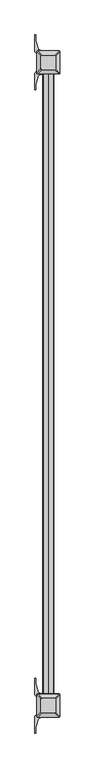
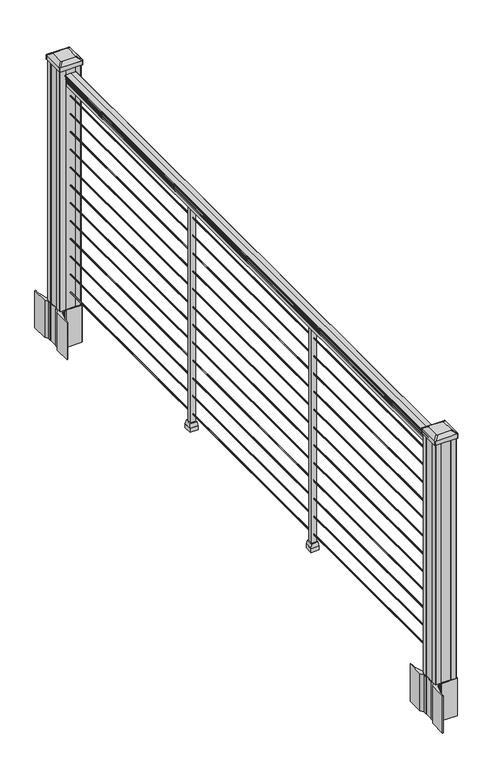
"""IFC4 building model written with IfcOpenShell, lengths in millimetres: railing geometry."""

from ifc_helpers import new_model, si_unit, point, frame, frame_2d, origin, origin_with_axes, place, context, project, spatial, polyline, circle_curve, trimmed, segment, composite_curve, outline, extrude, faceted_brep, source, transform, mapped, element, save
from ifc_brep_helpers import plane_surface, extruded_surface, advanced_brep


def railing_f094a31c(model_context):
    return source(origin(), model_context, "Body", "SolidModel", [
        extrude(outline(composite_curve([segment(polyline([(938.4043297, 949.2470786), (940.292412, 949.2470786)]), True, "CONTINUOUS"), segment(trimmed(circle_curve(frame_2d((946.0506383, 942.9323253)), 8.545951), [point((940.292412, 949.2470786))], [point((941.8546695, 950.3772649))], False, "CARTESIAN"), True, "CONTINUOUS"), segment(trimmed(circle_curve(frame_2d((945.4636577, 943.3693883)), 7.882584), [point((941.8546695, 950.3772649))], [point((949.0726458, 950.3772649))], False, "CARTESIAN"), True, "CONTINUOUS"), segment(trimmed(circle_curve(frame_2d((951.3112527, 953.8827124)), 4.1592695), [point((949.0726458, 950.3772649))], [point((951.5060812, 949.7280085))], True, "CARTESIAN"), True, "CONTINUOUS"), segment(trimmed(circle_curve(frame_2d((951.2508864, 955.1700189)), 5.4479907), [point((951.5060812, 949.7280085))], [point((955.8362083, 952.2280085))], True, "CARTESIAN"), True, "CONTINUOUS"), segment(trimmed(circle_curve(frame_2d((955.833395, 953.9368605)), 1.7088543), [point((955.8362083, 952.2280085))], [point((957.5157972, 953.6373509))], True, "CARTESIAN"), True, "CONTINUOUS"), segment(trimmed(circle_curve(frame_2d((958.6205318, 952.3199604)), 1.7192895), [point((957.5157972, 953.6373509))], [point((958.6205318, 954.0392499))], False, "CARTESIAN"), True, "CONTINUOUS"), segment(polyline([(958.6205318, 954.0392499), (959.9608158, 954.0392498)]), True, "CONTINUOUS"), segment(trimmed(circle_curve(frame_2d((959.9608158, 952.4858026)), 1.5534472), [point((959.9608158, 954.0392498))], [point((961.514263, 952.4858026))], False, "CARTESIAN"), True, "CONTINUOUS"), segment(polyline([(961.514263, 952.4858026), (961.514263, 931.8142498), (961.514263, 911.1426971)]), True, "CONTINUOUS"), segment(trimmed(circle_curve(frame_2d((959.9608158, 911.1426971)), 1.5534472), [point((961.514263, 911.1426971))], [point((959.9608158, 909.5892498))], False, "CARTESIAN"), True, "CONTINUOUS"), segment(polyline([(959.9608158, 909.5892498), (958.6205318, 909.5892498)]), True, "CONTINUOUS"), segment(trimmed(circle_curve(frame_2d((958.6205318, 911.3085393)), 1.7192895), [point((958.6205318, 909.5892498))], [point((957.5157972, 909.9911488))], False, "CARTESIAN"), True, "CONTINUOUS"), segment(trimmed(circle_curve(frame_2d((955.833395, 909.6916392)), 1.7088543), [point((957.5157972, 909.9911488))], [point((955.8362083, 911.4004912))], True, "CARTESIAN"), True, "CONTINUOUS"), segment(trimmed(circle_curve(frame_2d((951.2508864, 908.4584807)), 5.4479907), [point((955.8362083, 911.4004912))], [point((951.5060812, 913.9004912))], True, "CARTESIAN"), True, "CONTINUOUS"), segment(trimmed(circle_curve(frame_2d((951.3112527, 909.7457873)), 4.1592695), [point((951.5060812, 913.9004912))], [point((949.0726458, 913.2512348))], True, "CARTESIAN"), True, "CONTINUOUS"), segment(trimmed(circle_curve(frame_2d((945.4636577, 920.2591114)), 7.882584), [point((949.0726458, 913.2512348))], [point((941.8546695, 913.2512348))], False, "CARTESIAN"), True, "CONTINUOUS"), segment(trimmed(circle_curve(frame_2d((946.0506383, 920.6961744)), 8.545951), [point((941.8546695, 913.2512348))], [point((940.292412, 914.3814211))], False, "CARTESIAN"), True, "CONTINUOUS"), segment(polyline([(940.292412, 914.3814211), (938.4043297, 914.3814211)]), True, "CONTINUOUS"), segment(trimmed(circle_curve(frame_2d((938.4043297, 915.6683355)), 1.2869144), [point((938.4043297, 914.3814211))], [point((938.4043297, 916.9552498))], False, "CARTESIAN"), True, "CONTINUOUS"), segment(polyline([(938.4043297, 916.9552498), (927.9048283, 916.9552498), (926.8888283, 915.9392498), (914.4, 915.9392498), (914.4, 947.6892498), (926.731013, 947.6892498), (927.747013, 946.6732498), (938.4043297, 946.6732498)]), True, "CONTINUOUS"), segment(trimmed(circle_curve(frame_2d((938.4043297, 947.9601642)), 1.2869144), [point((938.4043297, 946.6732498))], [point((938.4043297, 949.2470786))], False, "CARTESIAN"), True, "CONTINUOUS")], self_intersect=False)), frame((0.0, -101994.9191011, 0.0), z_axis=(0.0, 1.0, 0.0), x_axis=(0.0, 0.0, 1.0)), (0.0, 0.0, 1.0), 2438.4),
        extrude(outline(composite_curve([segment(trimmed(circle_curve(frame_2d((65.024, 931.8142498)), 1.5875), [point((65.024, 930.2267498))], [point((63.4365, 931.8142498))], False, "CARTESIAN"), True, "CONTINUOUS"), segment(trimmed(circle_curve(frame_2d((65.024, 931.8142498)), 1.5875), [point((63.4365, 931.8142498))], [point((65.024, 933.4017498))], False, "CARTESIAN"), True, "CONTINUOUS"), segment(trimmed(circle_curve(frame_2d((65.024, 931.8142498)), 1.5875), [point((65.024, 933.4017498))], [point((66.6115, 931.8142498))], False, "CARTESIAN"), True, "CONTINUOUS"), segment(trimmed(circle_curve(frame_2d((65.024, 931.8142498)), 1.5875), [point((66.6115, 931.8142498))], [point((65.024, 930.2267498))], False, "CARTESIAN"), True, "CONTINUOUS")], self_intersect=False)), frame((0.0, -101994.9191011, 0.0), z_axis=(0.0, 1.0, 0.0), x_axis=(0.0, 0.0, 1.0)), (0.0, 0.0, 1.0), 2438.4),
        extrude(outline(composite_curve([segment(trimmed(circle_curve(frame_2d((138.176, 931.8142498)), 1.5875), [point((138.176, 930.2267498))], [point((136.5885, 931.8142498))], False, "CARTESIAN"), True, "CONTINUOUS"), segment(trimmed(circle_curve(frame_2d((138.176, 931.8142498)), 1.5875), [point((136.5885, 931.8142498))], [point((138.176, 933.4017498))], False, "CARTESIAN"), True, "CONTINUOUS"), segment(trimmed(circle_curve(frame_2d((138.176, 931.8142498)), 1.5875), [point((138.176, 933.4017498))], [point((139.7635, 931.8142498))], False, "CARTESIAN"), True, "CONTINUOUS"), segment(trimmed(circle_curve(frame_2d((138.176, 931.8142498)), 1.5875), [point((139.7635, 931.8142498))], [point((138.176, 930.2267498))], False, "CARTESIAN"), True, "CONTINUOUS")], self_intersect=False)), frame((0.0, -101994.9191011, 0.0), z_axis=(0.0, 1.0, 0.0), x_axis=(0.0, 0.0, 1.0)), (0.0, 0.0, 1.0), 2438.4),
        extrude(outline(composite_curve([segment(trimmed(circle_curve(frame_2d((211.074, 931.8142498)), 1.5875), [point((211.074, 930.2267498))], [point((209.4865, 931.8142498))], False, "CARTESIAN"), True, "CONTINUOUS"), segment(trimmed(circle_curve(frame_2d((211.074, 931.8142498)), 1.5875), [point((209.4865, 931.8142498))], [point((211.074, 933.4017498))], False, "CARTESIAN"), True, "CONTINUOUS"), segment(trimmed(circle_curve(frame_2d((211.074, 931.8142498)), 1.5875), [point((211.074, 933.4017498))], [point((212.6615, 931.8142498))], False, "CARTESIAN"), True, "CONTINUOUS"), segment(trimmed(circle_curve(frame_2d((211.074, 931.8142498)), 1.5875), [point((212.6615, 931.8142498))], [point((211.074, 930.2267498))], False, "CARTESIAN"), True, "CONTINUOUS")], self_intersect=False)), frame((0.0, -101994.9191011, 0.0), z_axis=(0.0, 1.0, 0.0), x_axis=(0.0, 0.0, 1.0)), (0.0, 0.0, 1.0), 2438.4),
        extrude(outline(composite_curve([segment(trimmed(circle_curve(frame_2d((284.226, 931.8142498)), 1.5875), [point((284.226, 930.2267498))], [point((282.6385, 931.8142498))], False, "CARTESIAN"), True, "CONTINUOUS"), segment(trimmed(circle_curve(frame_2d((284.226, 931.8142498)), 1.5875), [point((282.6385, 931.8142498))], [point((284.226, 933.4017498))], False, "CARTESIAN"), True, "CONTINUOUS"), segment(trimmed(circle_curve(frame_2d((284.226, 931.8142498)), 1.5875), [point((284.226, 933.4017498))], [point((285.8135, 931.8142498))], False, "CARTESIAN"), True, "CONTINUOUS"), segment(trimmed(circle_curve(frame_2d((284.226, 931.8142498)), 1.5875), [point((285.8135, 931.8142498))], [point((284.226, 930.2267498))], False, "CARTESIAN"), True, "CONTINUOUS")], self_intersect=False)), frame((0.0, -101994.9191011, 0.0), z_axis=(0.0, 1.0, 0.0), x_axis=(0.0, 0.0, 1.0)), (0.0, 0.0, 1.0), 2438.4),
        extrude(outline(composite_curve([segment(trimmed(circle_curve(frame_2d((357.124, 931.8142498)), 1.5875), [point((357.124, 930.2267498))], [point((355.5365, 931.8142498))], False, "CARTESIAN"), True, "CONTINUOUS"), segment(trimmed(circle_curve(frame_2d((357.124, 931.8142498)), 1.5875), [point((355.5365, 931.8142498))], [point((357.124, 933.4017498))], False, "CARTESIAN"), True, "CONTINUOUS"), segment(trimmed(circle_curve(frame_2d((357.124, 931.8142498)), 1.5875), [point((357.124, 933.4017498))], [point((358.7115, 931.8142498))], False, "CARTESIAN"), True, "CONTINUOUS"), segment(trimmed(circle_curve(frame_2d((357.124, 931.8142498)), 1.5875), [point((358.7115, 931.8142498))], [point((357.124, 930.2267498))], False, "CARTESIAN"), True, "CONTINUOUS")], self_intersect=False)), frame((0.0, -101994.9191011, 0.0), z_axis=(0.0, 1.0, 0.0), x_axis=(0.0, 0.0, 1.0)), (0.0, 0.0, 1.0), 2438.4),
        extrude(outline(composite_curve([segment(trimmed(circle_curve(frame_2d((430.276, 931.8142498)), 1.5875), [point((430.276, 930.2267498))], [point((428.6885, 931.8142498))], False, "CARTESIAN"), True, "CONTINUOUS"), segment(trimmed(circle_curve(frame_2d((430.276, 931.8142498)), 1.5875), [point((428.6885, 931.8142498))], [point((430.276, 933.4017498))], False, "CARTESIAN"), True, "CONTINUOUS"), segment(trimmed(circle_curve(frame_2d((430.276, 931.8142498)), 1.5875), [point((430.276, 933.4017498))], [point((431.8635, 931.8142498))], False, "CARTESIAN"), True, "CONTINUOUS"), segment(trimmed(circle_curve(frame_2d((430.276, 931.8142498)), 1.5875), [point((431.8635, 931.8142498))], [point((430.276, 930.2267498))], False, "CARTESIAN"), True, "CONTINUOUS")], self_intersect=False)), frame((0.0, -101994.9191011, 0.0), z_axis=(0.0, 1.0, 0.0), x_axis=(0.0, 0.0, 1.0)), (0.0, 0.0, 1.0), 2438.4),
        extrude(outline(composite_curve([segment(trimmed(circle_curve(frame_2d((503.174, 931.8142498)), 1.5875), [point((503.174, 930.2267498))], [point((501.5865, 931.8142498))], False, "CARTESIAN"), True, "CONTINUOUS"), segment(trimmed(circle_curve(frame_2d((503.174, 931.8142498)), 1.5875), [point((501.5865, 931.8142498))], [point((503.174, 933.4017498))], False, "CARTESIAN"), True, "CONTINUOUS"), segment(trimmed(circle_curve(frame_2d((503.174, 931.8142498)), 1.5875), [point((503.174, 933.4017498))], [point((504.7615, 931.8142498))], False, "CARTESIAN"), True, "CONTINUOUS"), segment(trimmed(circle_curve(frame_2d((503.174, 931.8142498)), 1.5875), [point((504.7615, 931.8142498))], [point((503.174, 930.2267498))], False, "CARTESIAN"), True, "CONTINUOUS")], self_intersect=False)), frame((0.0, -101994.9191011, 0.0), z_axis=(0.0, 1.0, 0.0), x_axis=(0.0, 0.0, 1.0)), (0.0, 0.0, 1.0), 2438.4),
        extrude(outline(composite_curve([segment(trimmed(circle_curve(frame_2d((576.326, 931.8142498)), 1.5875), [point((576.326, 930.2267498))], [point((574.7385, 931.8142498))], False, "CARTESIAN"), True, "CONTINUOUS"), segment(trimmed(circle_curve(frame_2d((576.326, 931.8142498)), 1.5875), [point((574.7385, 931.8142498))], [point((576.326, 933.4017498))], False, "CARTESIAN"), True, "CONTINUOUS"), segment(trimmed(circle_curve(frame_2d((576.326, 931.8142498)), 1.5875), [point((576.326, 933.4017498))], [point((577.9135, 931.8142498))], False, "CARTESIAN"), True, "CONTINUOUS"), segment(trimmed(circle_curve(frame_2d((576.326, 931.8142498)), 1.5875), [point((577.9135, 931.8142498))], [point((576.326, 930.2267498))], False, "CARTESIAN"), True, "CONTINUOUS")], self_intersect=False)), frame((0.0, -101994.9191011, 0.0), z_axis=(0.0, 1.0, 0.0), x_axis=(0.0, 0.0, 1.0)), (0.0, 0.0, 1.0), 2438.4),
        extrude(outline(composite_curve([segment(trimmed(circle_curve(frame_2d((649.224, 931.8142498)), 1.5875), [point((649.224, 930.2267498))], [point((647.6365, 931.8142498))], False, "CARTESIAN"), True, "CONTINUOUS"), segment(trimmed(circle_curve(frame_2d((649.224, 931.8142498)), 1.5875), [point((647.6365, 931.8142498))], [point((649.224, 933.4017498))], False, "CARTESIAN"), True, "CONTINUOUS"), segment(trimmed(circle_curve(frame_2d((649.224, 931.8142498)), 1.5875), [point((649.224, 933.4017498))], [point((650.8115, 931.8142498))], False, "CARTESIAN"), True, "CONTINUOUS"), segment(trimmed(circle_curve(frame_2d((649.224, 931.8142498)), 1.5875), [point((650.8115, 931.8142498))], [point((649.224, 930.2267498))], False, "CARTESIAN"), True, "CONTINUOUS")], self_intersect=False)), frame((0.0, -101994.9191011, 0.0), z_axis=(0.0, 1.0, 0.0), x_axis=(0.0, 0.0, 1.0)), (0.0, 0.0, 1.0), 2438.4),
        extrude(outline(composite_curve([segment(trimmed(circle_curve(frame_2d((722.376, 931.8142498)), 1.5875), [point((722.376, 930.2267498))], [point((720.7885, 931.8142498))], False, "CARTESIAN"), True, "CONTINUOUS"), segment(trimmed(circle_curve(frame_2d((722.376, 931.8142498)), 1.5875), [point((720.7885, 931.8142498))], [point((722.376, 933.4017498))], False, "CARTESIAN"), True, "CONTINUOUS"), segment(trimmed(circle_curve(frame_2d((722.376, 931.8142498)), 1.5875), [point((722.376, 933.4017498))], [point((723.9635, 931.8142498))], False, "CARTESIAN"), True, "CONTINUOUS"), segment(trimmed(circle_curve(frame_2d((722.376, 931.8142498)), 1.5875), [point((723.9635, 931.8142498))], [point((722.376, 930.2267498))], False, "CARTESIAN"), True, "CONTINUOUS")], self_intersect=False)), frame((0.0, -101994.9191011, 0.0), z_axis=(0.0, 1.0, 0.0), x_axis=(0.0, 0.0, 1.0)), (0.0, 0.0, 1.0), 2438.4),
        extrude(outline(composite_curve([segment(trimmed(circle_curve(frame_2d((795.274, 931.8142498)), 1.5875), [point((795.274, 930.2267498))], [point((793.6865, 931.8142498))], False, "CARTESIAN"), True, "CONTINUOUS"), segment(trimmed(circle_curve(frame_2d((795.274, 931.8142498)), 1.5875), [point((793.6865, 931.8142498))], [point((795.274, 933.4017498))], False, "CARTESIAN"), True, "CONTINUOUS"), segment(trimmed(circle_curve(frame_2d((795.274, 931.8142498)), 1.5875), [point((795.274, 933.4017498))], [point((796.8615, 931.8142498))], False, "CARTESIAN"), True, "CONTINUOUS"), segment(trimmed(circle_curve(frame_2d((795.274, 931.8142498)), 1.5875), [point((796.8615, 931.8142498))], [point((795.274, 930.2267498))], False, "CARTESIAN"), True, "CONTINUOUS")], self_intersect=False)), frame((0.0, -101994.9191011, 0.0), z_axis=(0.0, 1.0, 0.0), x_axis=(0.0, 0.0, 1.0)), (0.0, 0.0, 1.0), 2438.4),
        extrude(outline(composite_curve([segment(trimmed(circle_curve(frame_2d((868.426, 931.8142498)), 1.5875), [point((868.426, 930.2267498))], [point((866.8385, 931.8142498))], False, "CARTESIAN"), True, "CONTINUOUS"), segment(trimmed(circle_curve(frame_2d((868.426, 931.8142498)), 1.5875), [point((866.8385, 931.8142498))], [point((868.426, 933.4017498))], False, "CARTESIAN"), True, "CONTINUOUS"), segment(trimmed(circle_curve(frame_2d((868.426, 931.8142498)), 1.5875), [point((868.426, 933.4017498))], [point((870.0135, 931.8142498))], False, "CARTESIAN"), True, "CONTINUOUS"), segment(trimmed(circle_curve(frame_2d((868.426, 931.8142498)), 1.5875), [point((870.0135, 931.8142498))], [point((868.426, 930.2267498))], False, "CARTESIAN"), True, "CONTINUOUS")], self_intersect=False)), frame((0.0, -101994.9191011, 0.0), z_axis=(0.0, 1.0, 0.0), x_axis=(0.0, 0.0, 1.0)), (0.0, 0.0, 1.0), 2438.4),
        faceted_brep([(944.5142498, -100382.0191011, 32.1497081), (944.5142498, -100356.6191011, 32.1497081), (919.1142498, -100356.6191011, 32.1497081), (919.1142498, -100382.0191011, 32.1497081), (947.6892498, -100385.1941011, 16.2747081), (915.9392498, -100385.1941011, 16.2747081), (915.9392498, -100353.4441011, 16.2747081), (947.6892498, -100353.4441011, 16.2747081)], [[[0, 1, 2, 3]], [[4, 5, 6, 7]], [[4, 0, 3, 5]], [[5, 3, 2, 6]], [[6, 2, 1, 7]], [[7, 1, 0, 4]]]),
        extrude(outline(polyline([(947.6892498, -100385.1941011), (915.9392498, -100385.1941011), (915.9392498, -100353.4441011), (947.6892498, -100353.4441011), (947.6892498, -100385.1941011)])), origin_with_axes(), (0.0, 0.0, 1.0), 16.2747081),
        extrude(outline(polyline([(941.3392498, -100378.8441011), (922.2892498, -100378.8441011), (922.2892498, -100359.7941011), (941.3392498, -100359.7941011), (941.3392498, -100378.8441011)])), origin_with_axes(), (0.0, 0.0, 1.0), 914.4),
        faceted_brep([(944.5142498, -101194.8191011, 32.1497081), (944.5142498, -101169.4191011, 32.1497081), (919.1142498, -101169.4191011, 32.1497081), (919.1142498, -101194.8191011, 32.1497081), (947.6892498, -101197.9941011, 16.2747081), (915.9392498, -101197.9941011, 16.2747081), (915.9392498, -101166.2441011, 16.2747081), (947.6892498, -101166.2441011, 16.2747081)], [[[0, 1, 2, 3]], [[4, 5, 6, 7]], [[4, 0, 3, 5]], [[5, 3, 2, 6]], [[6, 2, 1, 7]], [[7, 1, 0, 4]]]),
        extrude(outline(polyline([(947.6892498, -101197.9941011), (915.9392498, -101197.9941011), (915.9392498, -101166.2441011), (947.6892498, -101166.2441011), (947.6892498, -101197.9941011)])), origin_with_axes(), (0.0, 0.0, 1.0), 16.2747081),
        extrude(outline(polyline([(941.3392498, -101191.6441011), (922.2892498, -101191.6441011), (922.2892498, -101172.5941011), (941.3392498, -101172.5941011), (941.3392498, -101191.6441011)])), origin_with_axes(), (0.0, 0.0, 1.0), 914.4),
        extrude(outline(composite_curve([segment(polyline([(974.5497498, -99532.503196), (976.1372498, -99533.265196), (976.1372498, -99556.0671241), (972.7642728, -99559.4401011), (911.304602, -99559.4401011), (911.304602, -99560.3608511), (905.9870581, -99560.3608511), (905.9870581, -99561.8151058), (900.9025284, -99561.8151058), (900.9025284, -99563.0991297), (899.2352561, -99563.0991297)]), True, "CONTINUOUS"), segment(trimmed(circle_curve(frame_2d((899.2352561, -99570.1585895)), 7.0594599), [point((899.2352561, -99563.0991297))], [point((892.4679933, -99568.1485828))], True, "CARTESIAN"), True, "CONTINUOUS"), segment(polyline([(892.4679933, -99568.1485828), (884.593799, -99594.6593119)]), True, "CONTINUOUS"), segment(trimmed(circle_curve(frame_2d((939.3783123, -99610.9313616)), 57.15), [point((884.593799, -99594.6593119))], [point((882.2283123, -99610.9313616))], True, "CARTESIAN"), True, "CONTINUOUS"), segment(polyline([(882.2283123, -99610.9313616), (882.2283123, -99622.9401011), (879.2283123, -99622.9401011), (879.2283123, -99557.8526011), (887.4912498, -99546.5143098), (887.4912498, -99533.265196), (889.0787498, -99532.503196), (889.0787498, -99497.7310063), (887.4912498, -99496.9690063), (887.4912498, -99483.7198925), (879.2283123, -99472.3816011), (879.2283123, -99407.2941011), (882.2283123, -99407.2941011), (882.2283123, -99419.3028407)]), True, "CONTINUOUS"), segment(trimmed(circle_curve(frame_2d((939.3783123, -99419.3028407)), 57.15), [point((882.2283123, -99419.3028407))], [point((884.593799, -99435.5748904))], True, "CARTESIAN"), True, "CONTINUOUS"), segment(polyline([(884.593799, -99435.5748904), (892.4679933, -99462.0856194)]), True, "CONTINUOUS"), segment(trimmed(circle_curve(frame_2d((899.2352561, -99460.0756128)), 7.0594599), [point((892.4679933, -99462.0856194))], [point((899.2352561, -99467.1350726))], True, "CARTESIAN"), True, "CONTINUOUS"), segment(polyline([(899.2352561, -99467.1350726), (900.9025284, -99467.1350726), (900.9025284, -99468.4190965), (905.9870581, -99468.4190965), (905.9870581, -99469.8733511), (911.304602, -99469.8733511), (911.304602, -99470.7941011), (972.7642728, -99470.7941011), (976.1372498, -99474.1670782), (976.1372498, -99496.9690063), (974.5497498, -99497.7310063), (974.5497498, -99532.503196)]), True, "CONTINUOUS")], self_intersect=False), holes=[polyline([(890.5392498, -99475.4296011), (890.5392498, -99554.8046011), (892.1267498, -99556.3921011), (929.0510325, -99556.3921011), (971.5017498, -99556.3921011), (973.0892498, -99554.8046011), (973.0892498, -99475.4296011), (971.5017498, -99473.8421011), (929.0510325, -99473.8421011), (892.1267498, -99473.8421011), (890.5392498, -99475.4296011)])]), frame((0.0, 0.0, -152.4), z_axis=(0.0, 0.0, 1.0), x_axis=(1.0, 0.0, 0.0)), (0.0, 0.0, 1.0), 152.4),
        advanced_brep(
        [(906.0173748, -99544.0889761, 1012.825), (957.6111248, -99544.0889761, 1012.825), (960.7861248, -99540.9139761, 1012.825), (960.7861248, -99489.3202261, 1012.825), (957.6111248, -99486.1452261, 1012.825), (906.0173748, -99486.1452261, 1012.825), (902.8423748, -99489.3202261, 1012.825), (902.8423748, -99540.9139761, 1012.825), (889.7454998, -99560.3608511, 1001.522), (886.5704998, -99557.1858511, 1001.522), (886.5704998, -99473.0483511, 1001.522), (889.7454998, -99469.8733511, 1001.522), (973.8829998, -99469.8733511, 1001.522), (977.0579998, -99473.0483511, 1001.522), (977.0579998, -99557.1858511, 1001.522), (973.8829998, -99560.3608511, 1001.522)],
        [
            (0, 1),
            (1, 2, circle_curve(frame((957.6111248, -99540.9139761, 1012.825), z_axis=(0.0, 0.0, 1.0), x_axis=(0.0, 1.0, 0.0)), 3.175)),
            (2, 3),
            (3, 4, circle_curve(frame((957.6111248, -99489.3202261, 1012.825), z_axis=(0.0, 0.0, 1.0), x_axis=(0.0, 1.0, 0.0)), 3.175)),
            (4, 5),
            (5, 6, circle_curve(frame((906.0173748, -99489.3202261, 1012.825), z_axis=(0.0, 0.0, 1.0), x_axis=(0.0, 1.0, 0.0)), 3.175)),
            (6, 7),
            (7, 0, circle_curve(frame((906.0173748, -99540.9139761, 1012.825), z_axis=(0.0, 0.0, 1.0), x_axis=(0.0, 1.0, 0.0)), 3.175)),
            (8, 9, circle_curve(frame((889.7454998, -99557.1858511, 1001.522), z_axis=(0.0, 0.0, -1.0), x_axis=(0.0, 1.0, 0.0)), 3.175)),
            (9, 10),
            (10, 11, circle_curve(frame((889.7454998, -99473.0483511, 1001.522), z_axis=(0.0, 0.0, -1.0), x_axis=(0.0, 1.0, 0.0)), 3.175)),
            (11, 12),
            (12, 13, circle_curve(frame((973.8829998, -99473.0483511, 1001.522), z_axis=(0.0, 0.0, -1.0), x_axis=(0.0, 1.0, 0.0)), 3.175)),
            (13, 14),
            (14, 15, circle_curve(frame((973.8829998, -99557.1858511, 1001.522), z_axis=(0.0, 0.0, -1.0), x_axis=(0.0, 1.0, 0.0)), 3.175)),
            (15, 8),
            (8, 0),
            (7, 9),
            (6, 10),
            (5, 11),
            (4, 12),
            (3, 13),
            (2, 14),
            (1, 15),
        ],
        [
            plane_surface(frame((931.8142498, -99515.1171011, 1012.825), z_axis=(0.0, 0.0, 1.0), x_axis=(-1.0, 0.0, 0.0))),
            plane_surface(frame((931.8142498, -99515.1171011, 1001.522), z_axis=(0.0, 0.0, -1.0), x_axis=(-1.0, 0.0, 0.0))),
            extruded_surface(trimmed(circle_curve(frame((906.0173748, -99540.9139761, 1012.825), z_axis=(0.0, 0.0, -1.0), x_axis=(0.0, 1.0, 0.0)), 3.175), [point((906.0173748, -99544.0889761, 1012.825))], [point((902.8423748, -99540.9139761, 1012.825))], True, "CARTESIAN"), (-16.271875000000023, -16.27187500000582, -11.302999999999997), 25.637972638869872),
            plane_surface(frame((886.5704998, -99515.1171011, 1001.522), z_axis=(-0.5705009161540779, 0.0, 0.8212969649690408), x_axis=(0.0, 1.0, 0.0))),
            extruded_surface(trimmed(circle_curve(frame((906.0173748, -99489.3202261, 1012.825), z_axis=(0.0, 0.0, -1.0), x_axis=(0.0, 1.0, 0.0)), 3.175), [point((902.8423748, -99489.3202261, 1012.825))], [point((906.0173748, -99486.1452261, 1012.825))], True, "CARTESIAN"), (-16.271875000000023, 16.27187499999127, -11.302999999999997), 25.637972638860635),
            plane_surface(frame((931.8142498, -99469.8733511, 1001.522), z_axis=(0.0, 0.5705009161540291, 0.8212969649690747), x_axis=(1.0, 0.0, 0.0))),
            extruded_surface(trimmed(circle_curve(frame((957.6111248, -99489.3202261, 1012.825), z_axis=(0.0, 0.0, -1.0), x_axis=(0.0, 1.0, 0.0)), 3.175), [point((957.6111248, -99486.1452261, 1012.825))], [point((960.7861248, -99489.3202261, 1012.825))], True, "CARTESIAN"), (16.271875000000023, 16.27187499999127, -11.302999999999997), 25.637972638860635),
            plane_surface(frame((977.0579998, -99515.1171011, 1001.522), z_axis=(0.5705009161540141, 0.0, 0.8212969649690851), x_axis=(0.0, -1.0, 0.0))),
            extruded_surface(trimmed(circle_curve(frame((957.6111248, -99540.9139761, 1012.825), z_axis=(0.0, 0.0, -1.0), x_axis=(0.0, 1.0, 0.0)), 3.175), [point((960.7861248, -99540.9139761, 1012.825))], [point((957.6111248, -99544.0889761, 1012.825))], True, "CARTESIAN"), (16.271875000000023, -16.27187500000582, -11.302999999999997), 25.637972638869872),
            plane_surface(frame((931.8142498, -99560.3608511, 1001.522), z_axis=(0.0, -0.570500916154034, 0.8212969649690713), x_axis=(-1.0, 0.0, 0.0))),
        ],
        [
            (0, [[1, 2, 3, 4, 5, 6, 7, 8]]),
            (1, [[9, 10, 11, 12, 13, 14, 15, 16]]),
            (2, [[17, -8, 18, -9]]),
            (3, [[-18, -7, 19, -10]]),
            (4, [[-19, -6, 20, -11]]),
            (5, [[-20, -5, 21, -12]]),
            (6, [[-21, -4, 22, -13]]),
            (7, [[-22, -3, 23, -14]]),
            (8, [[-23, -2, 24, -15]]),
            (9, [[-24, -1, -17, -16]]),
        ],
    ),
        extrude(outline(composite_curve([segment(trimmed(circle_curve(frame_2d((889.7454998, -99557.1858511)), 3.175), [point((889.7454998, -99560.3608511))], [point((886.5704998, -99557.1858511))], False, "CARTESIAN"), True, "CONTINUOUS"), segment(polyline([(886.5704998, -99557.1858511), (886.5704998, -99473.0483511)]), True, "CONTINUOUS"), segment(trimmed(circle_curve(frame_2d((889.7454998, -99473.0483511)), 3.175), [point((886.5704998, -99473.0483511))], [point((889.7454998, -99469.8733511))], False, "CARTESIAN"), True, "CONTINUOUS"), segment(polyline([(889.7454998, -99469.8733511), (973.8829998, -99469.8733511)]), True, "CONTINUOUS"), segment(trimmed(circle_curve(frame_2d((973.8829998, -99473.0483511)), 3.175), [point((973.8829998, -99469.8733511))], [point((977.0579998, -99473.0483511))], False, "CARTESIAN"), True, "CONTINUOUS"), segment(polyline([(977.0579998, -99473.0483511), (977.0579998, -99557.1858511)]), True, "CONTINUOUS"), segment(trimmed(circle_curve(frame_2d((973.8829998, -99557.1858511)), 3.175), [point((977.0579998, -99557.1858511))], [point((973.8829998, -99560.3608511))], False, "CARTESIAN"), True, "CONTINUOUS"), segment(polyline([(973.8829998, -99560.3608511), (889.7454998, -99560.3608511)]), True, "CONTINUOUS")], self_intersect=False)), frame((0.0, 0.0, 984.25), z_axis=(0.0, 0.0, 1.0), x_axis=(1.0, 0.0, 0.0)), (0.0, 0.0, 1.0), 17.272),
        extrude(outline(polyline([(892.1267498, -99556.3921011), (890.5392498, -99554.8046011), (890.5392498, -99535.1831011), (892.1267498, -99534.4211011), (892.1267498, -99495.8131011), (890.5392498, -99495.0511011), (890.5392498, -99475.4296011), (892.1267498, -99473.8421011), (911.7482498, -99473.8421011), (912.5102498, -99475.4296011), (951.1182498, -99475.4296011), (951.8802498, -99473.8421011), (971.5017498, -99473.8421011), (973.0892498, -99475.4296011), (973.0892498, -99495.0511011), (971.5017498, -99495.8131011), (971.5017498, -99534.4211011), (973.0892498, -99535.1831011), (973.0892498, -99554.8046011), (971.5017498, -99556.3921011), (951.8802498, -99556.3921011), (951.1182498, -99554.8046011), (912.5102498, -99554.8046011), (911.7482498, -99556.3921011), (892.1267498, -99556.3921011)])), origin_with_axes(), (0.0, 0.0, 1.0), 984.25),
        extrude(outline(composite_curve([segment(polyline([(974.5497498, -102053.707196), (976.1372498, -102054.469196), (976.1372498, -102077.2711241), (972.7642728, -102080.6441011), (911.304602, -102080.6441011), (911.304602, -102081.5648511), (905.9870581, -102081.5648511), (905.9870581, -102083.0191058), (900.9025284, -102083.0191058), (900.9025284, -102084.3031297), (899.2352561, -102084.3031297)]), True, "CONTINUOUS"), segment(trimmed(circle_curve(frame_2d((899.2352561, -102091.3625895)), 7.0594599), [point((899.2352561, -102084.3031297))], [point((892.4679933, -102089.3525828))], True, "CARTESIAN"), True, "CONTINUOUS"), segment(polyline([(892.4679933, -102089.3525828), (884.593799, -102115.8633119)]), True, "CONTINUOUS"), segment(trimmed(circle_curve(frame_2d((939.3783123, -102132.1353616)), 57.15), [point((884.593799, -102115.8633119))], [point((882.2283123, -102132.1353616))], True, "CARTESIAN"), True, "CONTINUOUS"), segment(polyline([(882.2283123, -102132.1353616), (882.2283123, -102144.1441011), (879.2283123, -102144.1441011), (879.2283123, -102079.0566011), (887.4912498, -102067.7183098), (887.4912498, -102054.469196), (889.0787498, -102053.707196), (889.0787498, -102018.9350063), (887.4912498, -102018.1730063), (887.4912498, -102004.9238925), (879.2283123, -101993.5856011), (879.2283123, -101928.4981011), (882.2283123, -101928.4981011), (882.2283123, -101940.5068407)]), True, "CONTINUOUS"), segment(trimmed(circle_curve(frame_2d((939.3783123, -101940.5068407)), 57.15), [point((882.2283123, -101940.5068407))], [point((884.593799, -101956.7788904))], True, "CARTESIAN"), True, "CONTINUOUS"), segment(polyline([(884.593799, -101956.7788904), (892.4679933, -101983.2896194)]), True, "CONTINUOUS"), segment(trimmed(circle_curve(frame_2d((899.2352561, -101981.2796128)), 7.0594599), [point((892.4679933, -101983.2896194))], [point((899.2352561, -101988.3390726))], True, "CARTESIAN"), True, "CONTINUOUS"), segment(polyline([(899.2352561, -101988.3390726), (900.9025284, -101988.3390726), (900.9025284, -101989.6230965), (905.9870581, -101989.6230965), (905.9870581, -101991.0773511), (911.304602, -101991.0773511), (911.304602, -101991.9981011), (972.7642728, -101991.9981011), (976.1372498, -101995.3710782), (976.1372498, -102018.1730063), (974.5497498, -102018.9350063), (974.5497498, -102053.707196)]), True, "CONTINUOUS")], self_intersect=False), holes=[polyline([(890.5392498, -101996.6336011), (890.5392498, -102076.0086011), (892.1267498, -102077.5961011), (929.0510325, -102077.5961011), (971.5017498, -102077.5961011), (973.0892498, -102076.0086011), (973.0892498, -101996.6336011), (971.5017498, -101995.0461011), (929.0510325, -101995.0461011), (892.1267498, -101995.0461011), (890.5392498, -101996.6336011)])]), frame((0.0, 0.0, -152.4), z_axis=(0.0, 0.0, 1.0), x_axis=(1.0, 0.0, 0.0)), (0.0, 0.0, 1.0), 152.4),
        advanced_brep(
        [(906.0173748, -102065.2929761, 1012.825), (957.6111248, -102065.2929761, 1012.825), (960.7861248, -102062.1179761, 1012.825), (960.7861248, -102010.5242261, 1012.825), (957.6111248, -102007.3492261, 1012.825), (906.0173748, -102007.3492261, 1012.825), (902.8423748, -102010.5242261, 1012.825), (902.8423748, -102062.1179761, 1012.825), (889.7454998, -102081.5648511, 1001.522), (886.5704998, -102078.3898511, 1001.522), (886.5704998, -101994.2523511, 1001.522), (889.7454998, -101991.0773511, 1001.522), (973.8829998, -101991.0773511, 1001.522), (977.0579998, -101994.2523511, 1001.522), (977.0579998, -102078.3898511, 1001.522), (973.8829998, -102081.5648511, 1001.522)],
        [
            (0, 1),
            (1, 2, circle_curve(frame((957.6111248, -102062.1179761, 1012.825), z_axis=(0.0, 0.0, 1.0), x_axis=(0.0, 1.0, 0.0)), 3.175)),
            (2, 3),
            (3, 4, circle_curve(frame((957.6111248, -102010.5242261, 1012.825), z_axis=(0.0, 0.0, 1.0), x_axis=(0.0, 1.0, 0.0)), 3.175)),
            (4, 5),
            (5, 6, circle_curve(frame((906.0173748, -102010.5242261, 1012.825), z_axis=(0.0, 0.0, 1.0), x_axis=(0.0, 1.0, 0.0)), 3.175)),
            (6, 7),
            (7, 0, circle_curve(frame((906.0173748, -102062.1179761, 1012.825), z_axis=(0.0, 0.0, 1.0), x_axis=(0.0, 1.0, 0.0)), 3.175)),
            (8, 9, circle_curve(frame((889.7454998, -102078.3898511, 1001.522), z_axis=(0.0, 0.0, -1.0), x_axis=(0.0, 1.0, 0.0)), 3.175)),
            (9, 10),
            (10, 11, circle_curve(frame((889.7454998, -101994.2523511, 1001.522), z_axis=(0.0, 0.0, -1.0), x_axis=(0.0, 1.0, 0.0)), 3.175)),
            (11, 12),
            (12, 13, circle_curve(frame((973.8829998, -101994.2523511, 1001.522), z_axis=(0.0, 0.0, -1.0), x_axis=(0.0, 1.0, 0.0)), 3.175)),
            (13, 14),
            (14, 15, circle_curve(frame((973.8829998, -102078.3898511, 1001.522), z_axis=(0.0, 0.0, -1.0), x_axis=(0.0, 1.0, 0.0)), 3.175)),
            (15, 8),
            (8, 0),
            (7, 9),
            (6, 10),
            (5, 11),
            (4, 12),
            (3, 13),
            (2, 14),
            (1, 15),
        ],
        [
            plane_surface(frame((931.8142498, -102036.3211011, 1012.825), z_axis=(0.0, 0.0, 1.0), x_axis=(-1.0, 0.0, 0.0))),
            plane_surface(frame((931.8142498, -102036.3211011, 1001.522), z_axis=(0.0, 0.0, -1.0), x_axis=(-1.0, 0.0, 0.0))),
            extruded_surface(trimmed(circle_curve(frame((906.0173748, -102062.1179761, 1012.825), z_axis=(0.0, 0.0, -1.0), x_axis=(0.0, 1.0, 0.0)), 3.175), [point((906.0173748, -102065.2929761, 1012.825))], [point((902.8423748, -102062.1179761, 1012.825))], True, "CARTESIAN"), (-16.271875000000023, -16.27187500000582, -11.302999999999997), 25.637972638869872),
            plane_surface(frame((886.5704998, -102036.3211011, 1001.522), z_axis=(-0.5705009161540779, 0.0, 0.8212969649690408), x_axis=(0.0, 1.0, 0.0))),
            extruded_surface(trimmed(circle_curve(frame((906.0173748, -102010.5242261, 1012.825), z_axis=(0.0, 0.0, -1.0), x_axis=(0.0, 1.0, 0.0)), 3.175), [point((902.8423748, -102010.5242261, 1012.825))], [point((906.0173748, -102007.3492261, 1012.825))], True, "CARTESIAN"), (-16.271875000000023, 16.27187499999127, -11.302999999999997), 25.637972638860635),
            plane_surface(frame((931.8142498, -101991.0773511, 1001.522), z_axis=(0.0, 0.5705009161540291, 0.8212969649690747), x_axis=(1.0, 0.0, 0.0))),
            extruded_surface(trimmed(circle_curve(frame((957.6111248, -102010.5242261, 1012.825), z_axis=(0.0, 0.0, -1.0), x_axis=(0.0, 1.0, 0.0)), 3.175), [point((957.6111248, -102007.3492261, 1012.825))], [point((960.7861248, -102010.5242261, 1012.825))], True, "CARTESIAN"), (16.271875000000023, 16.27187499999127, -11.302999999999997), 25.637972638860635),
            plane_surface(frame((977.0579998, -102036.3211011, 1001.522), z_axis=(0.5705009161540141, 0.0, 0.8212969649690851), x_axis=(0.0, -1.0, 0.0))),
            extruded_surface(trimmed(circle_curve(frame((957.6111248, -102062.1179761, 1012.825), z_axis=(0.0, 0.0, -1.0), x_axis=(0.0, 1.0, 0.0)), 3.175), [point((960.7861248, -102062.1179761, 1012.825))], [point((957.6111248, -102065.2929761, 1012.825))], True, "CARTESIAN"), (16.271875000000023, -16.27187500000582, -11.302999999999997), 25.637972638869872),
            plane_surface(frame((931.8142498, -102081.5648511, 1001.522), z_axis=(0.0, -0.570500916154034, 0.8212969649690713), x_axis=(-1.0, 0.0, 0.0))),
        ],
        [
            (0, [[1, 2, 3, 4, 5, 6, 7, 8]]),
            (1, [[9, 10, 11, 12, 13, 14, 15, 16]]),
            (2, [[17, -8, 18, -9]]),
            (3, [[-18, -7, 19, -10]]),
            (4, [[-19, -6, 20, -11]]),
            (5, [[-20, -5, 21, -12]]),
            (6, [[-21, -4, 22, -13]]),
            (7, [[-22, -3, 23, -14]]),
            (8, [[-23, -2, 24, -15]]),
            (9, [[-24, -1, -17, -16]]),
        ],
    ),
        extrude(outline(composite_curve([segment(trimmed(circle_curve(frame_2d((889.7454998, -102078.3898511)), 3.175), [point((889.7454998, -102081.5648511))], [point((886.5704998, -102078.3898511))], False, "CARTESIAN"), True, "CONTINUOUS"), segment(polyline([(886.5704998, -102078.3898511), (886.5704998, -101994.2523511)]), True, "CONTINUOUS"), segment(trimmed(circle_curve(frame_2d((889.7454998, -101994.2523511)), 3.175), [point((886.5704998, -101994.2523511))], [point((889.7454998, -101991.0773511))], False, "CARTESIAN"), True, "CONTINUOUS"), segment(polyline([(889.7454998, -101991.0773511), (973.8829998, -101991.0773511)]), True, "CONTINUOUS"), segment(trimmed(circle_curve(frame_2d((973.8829998, -101994.2523511)), 3.175), [point((973.8829998, -101991.0773511))], [point((977.0579998, -101994.2523511))], False, "CARTESIAN"), True, "CONTINUOUS"), segment(polyline([(977.0579998, -101994.2523511), (977.0579998, -102078.3898511)]), True, "CONTINUOUS"), segment(trimmed(circle_curve(frame_2d((973.8829998, -102078.3898511)), 3.175), [point((977.0579998, -102078.3898511))], [point((973.8829998, -102081.5648511))], False, "CARTESIAN"), True, "CONTINUOUS"), segment(polyline([(973.8829998, -102081.5648511), (889.7454998, -102081.5648511)]), True, "CONTINUOUS")], self_intersect=False)), frame((0.0, 0.0, 984.25), z_axis=(0.0, 0.0, 1.0), x_axis=(1.0, 0.0, 0.0)), (0.0, 0.0, 1.0), 17.272),
        extrude(outline(polyline([(892.1267498, -102077.5961011), (890.5392498, -102076.0086011), (890.5392498, -102056.3871011), (892.1267498, -102055.6251011), (892.1267498, -102017.0171011), (890.5392498, -102016.2551011), (890.5392498, -101996.6336011), (892.1267498, -101995.0461011), (911.7482498, -101995.0461011), (912.5102498, -101996.6336011), (951.1182498, -101996.6336011), (951.8802498, -101995.0461011), (971.5017498, -101995.0461011), (973.0892498, -101996.6336011), (973.0892498, -102016.2551011), (971.5017498, -102017.0171011), (971.5017498, -102055.6251011), (973.0892498, -102056.3871011), (973.0892498, -102076.0086011), (971.5017498, -102077.5961011), (951.8802498, -102077.5961011), (951.1182498, -102076.0086011), (912.5102498, -102076.0086011), (911.7482498, -102077.5961011), (892.1267498, -102077.5961011)])), origin_with_axes(), (0.0, 0.0, 1.0), 984.25),
    ])


if __name__ == "__main__":
    model = new_model("IFC4")
    model_context = context("Model", 3, world=origin())
    ifc_project = project(units=[si_unit("LENGTHUNIT", "METRE", prefix="MILLI")], contexts=[model_context])
    site = spatial("IfcSite", under=ifc_project)
    building = spatial("IfcBuilding", under=site)
    placement = place(None, origin())
    railing_shape = railing_f094a31c(model_context)
    element("IfcRailing", 1, at=placement, inside=building, context=model_context, shape_type="MappedRepresentation", body=[
        mapped(railing_shape, transform((0.0, 0.0, 0.0), x_axis=(1.0, 0.0, 0.0), y_axis=(0.0, 1.0, 0.0), z_axis=(0.0, 0.0, 1.0))),
    ])
    save(model, "model.ifc")
